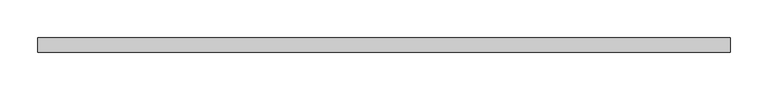
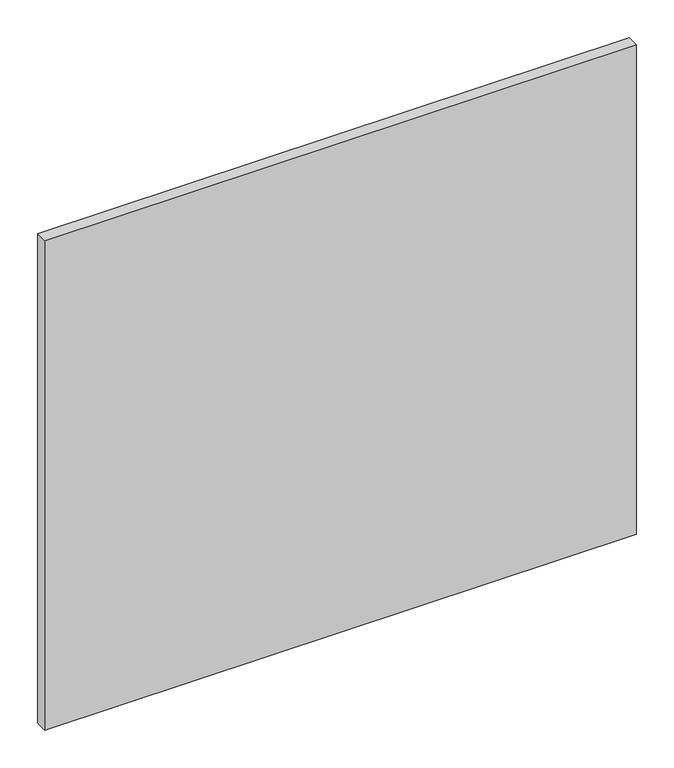
"""IFC4 building model written with IfcOpenShell, lengths in millimetres: proxy geometry."""

from ifc_helpers import new_model, si_unit, frame, origin, place, context, project, spatial, polyline, outline, extrude, source, transform, mapped, element, save


def specialty_equipment_875f78f9(model_context):
    return source(origin(), model_context, "Body", "SweptSolid", [
        extrude(outline(polyline([(455.3204, 0.0), (455.3204, -19.05), (-455.3204, -19.05), (-455.3204, 0.0), (455.3204, 0.0)])), frame((0.0, 0.0, 3.175), z_axis=(0.0, 0.0, 1.0), x_axis=(1.0, 0.0, 0.0)), (0.0, 0.0, 1.0), 796.0868001),
    ])


if __name__ == "__main__":
    model = new_model("IFC4")
    model_context = context("Model", 3, world=origin())
    ifc_project = project(units=[si_unit("LENGTHUNIT", "METRE", prefix="MILLI")], contexts=[model_context])
    site = spatial("IfcSite", under=ifc_project)
    building = spatial("IfcBuilding", under=site)
    placement = place(None, origin())
    specialty_equipment_shape = specialty_equipment_875f78f9(model_context)
    element("IfcBuildingElementProxy", 1, Name="Specialty Equipment", at=placement, inside=building, context=model_context, shape_type="MappedRepresentation", body=[
        mapped(specialty_equipment_shape, transform((0.0, 0.0, 0.0), x_axis=(1.0, 0.0, 0.0), y_axis=(0.0, 1.0, 0.0), z_axis=(0.0, 0.0, 1.0))),
    ])
    save(model, "model.ifc")
